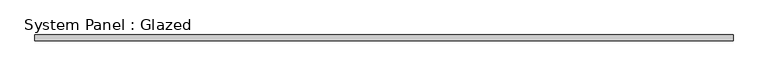
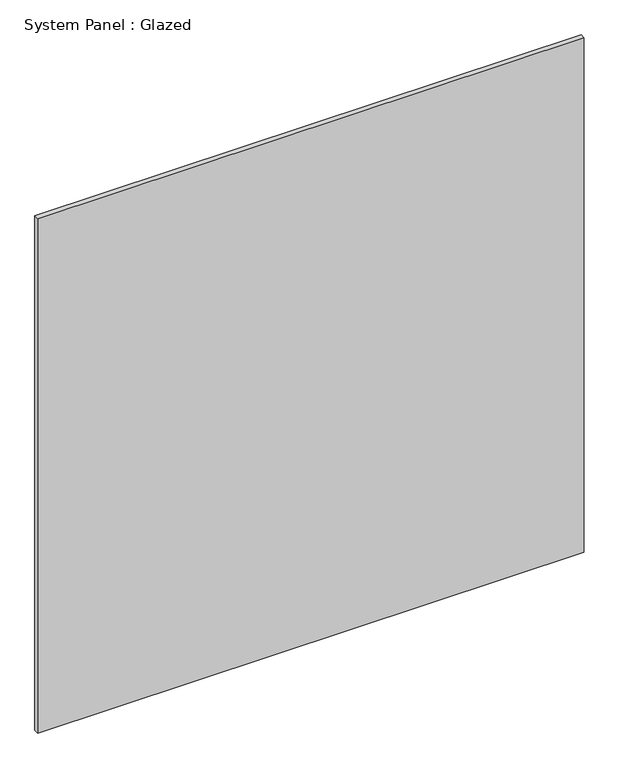
"""IFC4 building model written with IfcOpenShell, lengths in millimetres: plate geometry, System Panel : Glazed."""

from ifc_helpers import new_model, si_unit, origin, origin_with_axes, place, context, project, spatial, polyline, outline, extrude, source, transform, mapped, element, save


def system_panel_glazed_43aaa160(model_context):
    return source(origin(), model_context, "Body", "SweptSolid", [
        extrude(outline(polyline([(1464.1475201, 19.05), (-1464.1475201, 19.05), (-1464.1475201, 44.45), (1464.1475201, 44.45), (1464.1475201, 19.05)])), origin_with_axes(), (0.0, 0.0, 1.0), 2913.0),
    ])


if __name__ == "__main__":
    model = new_model("IFC4")
    model_context = context("Model", 3, world=origin())
    ifc_project = project(units=[si_unit("LENGTHUNIT", "METRE", prefix="MILLI")], contexts=[model_context])
    site = spatial("IfcSite", under=ifc_project)
    building = spatial("IfcBuilding", under=site)
    placement = place(None, origin())
    system_panel_glazed_shape = system_panel_glazed_43aaa160(model_context)
    element("IfcPlate", 1, ObjectType="System Panel : Glazed", at=placement, inside=building, context=model_context, shape_type="MappedRepresentation", body=[
        mapped(system_panel_glazed_shape, transform((0.0, 0.0, 0.0), x_axis=(1.0, 0.0, 0.0), y_axis=(0.0, 1.0, 0.0), z_axis=(0.0, 0.0, 1.0))),
    ])
    save(model, "model.ifc")
